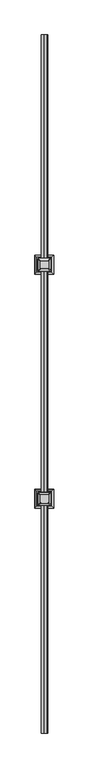
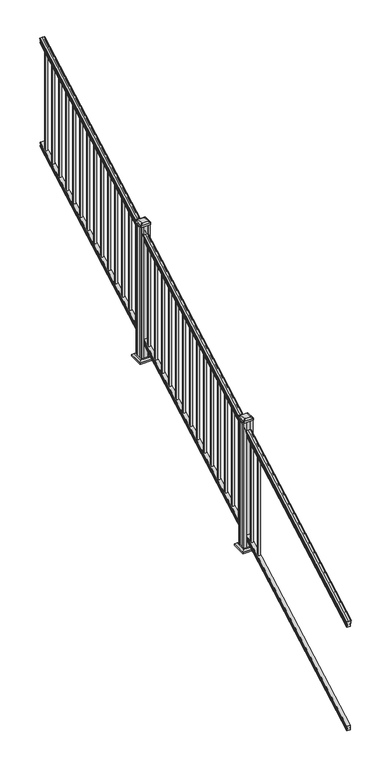
"""IFC4 building model written with IfcOpenShell, lengths in millimetres: railing geometry."""

from ifc_helpers import new_model, si_unit, point, frame, frame_2d, origin, place, context, project, spatial, polyline, circle_curve, ellipse_curve, trimmed, segment, composite_curve, outline, extrude, faceted_brep, source, transform, mapped, element, save
from ifc_brep_helpers import plane_surface, cylinder_surface, revolved_surface, extruded_surface, advanced_brep


def railing_16813167(model_context):
    return source(origin(), model_context, "Body", "SolidModel", [
        advanced_brep(
        [(13091.9614371, 1778.9805319, 1263.5933), (13094.5352659, 1778.9805319, 1263.5933), (13094.5352659, 1778.9805319, 1251.4017677), (13093.5192659, 1778.9805319, 1250.2395054), (13093.5192659, 1778.9805319, 1236.1333333), (13125.2692659, 1778.9805319, 1236.1333333), (13125.2692659, 1778.9805319, 1250.4200397), (13124.2532659, 1778.9805319, 1251.582302), (13124.2532659, 1778.9805319, 1263.5933), (13126.8270946, 1778.9805319, 1263.5933), (13126.8270946, 1778.9805319, 1265.7531886), (13127.9572809, 1778.9805319, 1267.540347), (13127.9572809, 1778.9805319, 1275.7974153), (13127.3080245, 1778.9805319, 1278.5811654), (13129.8080245, 1778.9805319, 1283.5346527), (13131.217367, 1778.9805319, 1285.4560334), (13131.619266, 1778.9805319, 1286.7198045), (13131.6192659, 1778.9805319, 1288.2530343), (13130.0658186, 1778.9805319, 1290.0301141), (13109.3942659, 1778.9805319, 1290.0301141), (13088.7227131, 1778.9805319, 1290.0301141), (13087.1692659, 1778.9805319, 1288.2530343), (13087.1692659, 1778.9805319, 1286.7198045), (13087.5711648, 1778.9805319, 1285.4560334), (13088.9805072, 1778.9805319, 1283.5346527), (13091.4805072, 1778.9805319, 1278.5811654), (13090.8312508, 1778.9805319, 1275.7974153), (13090.8312508, 1778.9805319, 1267.540347), (13091.9614371, 1778.9805319, 1265.7531886), (13091.9614371, 6655.7805319, 3972.9266334), (13091.9614371, 6655.7805319, 3975.0865219), (13090.8312508, 6655.7805319, 3976.8736803), (13090.8312508, 6655.7805319, 3985.1307486), (13091.4805072, 6655.7805319, 3987.9144987), (13088.9805072, 6655.7805319, 3992.8679861), (13087.5711648, 6655.7805319, 3994.7893668), (13087.1692658, 6655.7805319, 3996.0531378), (13087.1692659, 6655.7805319, 3997.5863676), (13088.7227131, 6655.7805319, 3999.3634474), (13109.3942659, 6655.7805319, 3999.3634474), (13130.0658186, 6655.7805319, 3999.3634474), (13131.6192659, 6655.7805319, 3997.5863676), (13131.6192659, 6655.7805319, 3996.0531378), (13131.217367, 6655.7805319, 3994.7893668), (13129.8080245, 6655.7805319, 3992.8679861), (13127.3080245, 6655.7805319, 3987.9144987), (13127.9572809, 6655.7805319, 3985.1307486), (13127.9572809, 6655.7805319, 3976.8736803), (13126.8270946, 6655.7805319, 3975.0865219), (13126.8270946, 6655.7805319, 3972.9266334), (13124.2532659, 6655.7805319, 3972.9266334), (13124.2532659, 6655.7805319, 3960.9156353), (13125.2692659, 6655.7805319, 3959.7533731), (13125.2692659, 6655.7805319, 3945.4666667), (13093.5192659, 6655.7805319, 3945.4666667), (13093.5192659, 6655.7805319, 3959.5728388), (13094.5352659, 6655.7805319, 3960.735101), (13094.5352659, 6655.7805319, 3972.9266334)],
        [
            (0, 1, ellipse_curve(frame((13093.2483515, 1778.9805319, 1263.5933), z_axis=(0.0, -1.0, 0.0), x_axis=(0.0, 0.0, -0.9999999999999999)), 1.4721772, 1.2869144)),
            (1, 2),
            (2, 3),
            (3, 4),
            (4, 5),
            (5, 6),
            (6, 7),
            (7, 8),
            (8, 9, ellipse_curve(frame((13125.5401802, 1778.9805319, 1263.5933), z_axis=(0.0, -1.0, 0.0), x_axis=(0.0, 0.0, -0.9999999999999999)), 1.4721772, 1.2869144)),
            (9, 10),
            (10, 11, ellipse_curve(frame((13120.5123413, 1778.9805319, 1272.3403628), z_axis=(0.0, -1.0, 0.0), x_axis=(0.0, 0.0, -0.9999999999999999)), 9.7762168, 8.545951)),
            (11, 12, ellipse_curve(frame((13120.9494043, 1778.9805319, 1271.6688811), z_axis=(0.0, -1.0, 0.0), x_axis=(0.0, 0.0, -0.9999999999999999)), 9.0173521, 7.882584)),
            (12, 13, ellipse_curve(frame((13131.4627284, 1778.9805319, 1278.3582895), z_axis=(0.0, 1.0, 0.0), x_axis=(0.0, 0.0, 0.9999999999999999)), 4.7580334, 4.1592695)),
            (13, 14, ellipse_curve(frame((13132.750035, 1778.9805319, 1278.2892329), z_axis=(0.0, 1.0, 0.0), x_axis=(0.0, 0.0, 0.9999999999999999)), 6.2322774, 5.4479907)),
            (14, 15, ellipse_curve(frame((13131.5168765, 1778.9805319, 1283.5314345), z_axis=(0.0, 1.0, 0.0), x_axis=(0.0, 0.0, 0.9999999999999999)), 1.9548591, 1.7088543)),
            (15, 16, ellipse_curve(frame((13129.8999764, 1778.9805319, 1286.7198045), z_axis=(0.0, -1.0, 0.0), x_axis=(0.0, 0.0, -0.9999999999999999)), 1.9667965, 1.7192895)),
            (16, 17),
            (17, 18, ellipse_curve(frame((13130.0658186, 1778.9805319, 1288.2530343), z_axis=(0.0, -1.0, 0.0), x_axis=(0.0, 0.0, -0.9999999999999999)), 1.7770798, 1.5534472)),
            (18, 19),
            (19, 20),
            (20, 21, ellipse_curve(frame((13088.7227131, 1778.9805319, 1288.2530343), z_axis=(0.0, -1.0, 0.0), x_axis=(0.0, 0.0, -0.9999999999999999)), 1.7770798, 1.5534472)),
            (21, 22),
            (22, 23, ellipse_curve(frame((13088.8885553, 1778.9805319, 1286.7198045), z_axis=(0.0, -1.0, 0.0), x_axis=(0.0, 0.0, -0.9999999999999999)), 1.9667965, 1.7192895)),
            (23, 24, ellipse_curve(frame((13087.2716552, 1778.9805319, 1283.5314345), z_axis=(0.0, 1.0, 0.0), x_axis=(0.0, 0.0, 0.9999999999999999)), 1.9548591, 1.7088543)),
            (24, 25, ellipse_curve(frame((13086.0384968, 1778.9805319, 1278.2892329), z_axis=(0.0, 1.0, 0.0), x_axis=(0.0, 0.0, 0.9999999999999999)), 6.2322774, 5.4479907)),
            (25, 26, ellipse_curve(frame((13087.3258033, 1778.9805319, 1278.3582895), z_axis=(0.0, 1.0, 0.0), x_axis=(0.0, 0.0, 0.9999999999999999)), 4.7580334, 4.1592695)),
            (26, 27, ellipse_curve(frame((13097.8391275, 1778.9805319, 1271.6688811), z_axis=(0.0, -1.0, 0.0), x_axis=(0.0, 0.0, -0.9999999999999999)), 9.0173521, 7.882584)),
            (27, 28, ellipse_curve(frame((13098.2761904, 1778.9805319, 1272.3403628), z_axis=(0.0, -1.0, 0.0), x_axis=(0.0, 0.0, -0.9999999999999999)), 9.7762168, 8.545951)),
            (28, 0),
            (29, 30),
            (30, 31, ellipse_curve(frame((13098.2761904, 6655.7805319, 3981.6736961), z_axis=(0.0, 1.0, 0.0), x_axis=(0.0, 0.0, -0.9999999999999999)), 9.7762168, 8.545951)),
            (31, 32, ellipse_curve(frame((13097.8391275, 6655.7805319, 3981.0022145), z_axis=(0.0, 1.0, 0.0), x_axis=(0.0, 0.0, -0.9999999999999999)), 9.0173521, 7.882584)),
            (32, 33, ellipse_curve(frame((13087.3258033, 6655.7805319, 3987.6916228), z_axis=(0.0, -1.0, 0.0), x_axis=(0.0, 0.0, 0.9999999999999999)), 4.7580334, 4.1592695)),
            (33, 34, ellipse_curve(frame((13086.0384968, 6655.7805319, 3987.6225663), z_axis=(0.0, -1.0, 0.0), x_axis=(0.0, 0.0, 0.9999999999999999)), 6.2322774, 5.4479907)),
            (34, 35, ellipse_curve(frame((13087.2716552, 6655.7805319, 3992.8647678), z_axis=(0.0, -1.0, 0.0), x_axis=(0.0, 0.0, 0.9999999999999999)), 1.9548591, 1.7088543)),
            (35, 36, ellipse_curve(frame((13088.8885553, 6655.7805319, 3996.0531378), z_axis=(0.0, 1.0, 0.0), x_axis=(0.0, 0.0, -0.9999999999999999)), 1.9667965, 1.7192895)),
            (36, 37),
            (37, 38, ellipse_curve(frame((13088.7227131, 6655.7805319, 3997.5863676), z_axis=(0.0, 1.0, 0.0), x_axis=(0.0, 0.0, -0.9999999999999999)), 1.7770798, 1.5534472)),
            (38, 39),
            (39, 40),
            (40, 41, ellipse_curve(frame((13130.0658186, 6655.7805319, 3997.5863676), z_axis=(0.0, 1.0, 0.0), x_axis=(0.0, 0.0, -0.9999999999999999)), 1.7770798, 1.5534472)),
            (41, 42),
            (42, 43, ellipse_curve(frame((13129.8999764, 6655.7805319, 3996.0531378), z_axis=(0.0, 1.0, 0.0), x_axis=(0.0, 0.0, -0.9999999999999999)), 1.9667965, 1.7192895)),
            (43, 44, ellipse_curve(frame((13131.5168765, 6655.7805319, 3992.8647678), z_axis=(0.0, -1.0, 0.0), x_axis=(0.0, 0.0, 0.9999999999999999)), 1.9548591, 1.7088543)),
            (44, 45, ellipse_curve(frame((13132.750035, 6655.7805319, 3987.6225663), z_axis=(0.0, -1.0, 0.0), x_axis=(0.0, 0.0, 0.9999999999999999)), 6.2322774, 5.4479907)),
            (45, 46, ellipse_curve(frame((13131.4627284, 6655.7805319, 3987.6916228), z_axis=(0.0, -1.0, 0.0), x_axis=(0.0, 0.0, 0.9999999999999999)), 4.7580334, 4.1592695)),
            (46, 47, ellipse_curve(frame((13120.9494043, 6655.7805319, 3981.0022145), z_axis=(0.0, 1.0, 0.0), x_axis=(0.0, 0.0, -0.9999999999999999)), 9.0173521, 7.882584)),
            (47, 48, ellipse_curve(frame((13120.5123413, 6655.7805319, 3981.6736961), z_axis=(0.0, 1.0, 0.0), x_axis=(0.0, 0.0, -0.9999999999999999)), 9.7762168, 8.545951)),
            (48, 49),
            (49, 50, ellipse_curve(frame((13125.5401802, 6655.7805319, 3972.9266334), z_axis=(0.0, 1.0, 0.0), x_axis=(0.0, 0.0, -0.9999999999999999)), 1.4721772, 1.2869144)),
            (50, 51),
            (51, 52),
            (52, 53),
            (53, 54),
            (54, 55),
            (55, 56),
            (56, 57),
            (57, 29, ellipse_curve(frame((13093.2483515, 6655.7805319, 3972.9266334), z_axis=(0.0, 1.0, 0.0), x_axis=(0.0, 0.0, -0.9999999999999999)), 1.4721772, 1.2869144)),
            (0, 29),
            (57, 1),
            (56, 2),
            (55, 3),
            (54, 4),
            (53, 5),
            (52, 6),
            (51, 7),
            (50, 8),
            (49, 9),
            (48, 10),
            (47, 11),
            (46, 12),
            (45, 13),
            (44, 14),
            (43, 15),
            (42, 16),
            (41, 17),
            (40, 18),
            (39, 19),
            (38, 20),
            (37, 21),
            (36, 22),
            (35, 23),
            (34, 24),
            (33, 25),
            (32, 26),
            (31, 27),
            (30, 28),
        ],
        [
            plane_surface(frame((13109.3942659, 1778.9805319, 1236.1333333), z_axis=(0.0, -1.0, 0.0), x_axis=(0.0, 0.0, 1.0))),
            plane_surface(frame((13109.3942659, 6655.7805319, 3945.4666667), z_axis=(0.0, 1.0, 0.0), x_axis=(0.0, 0.0, 1.0))),
            cylinder_surface(frame((13093.2483515, 1767.3229989, 1257.1168928), z_axis=(0.0, -0.8741572761215701, -0.48564293117857404), x_axis=(1.0, 0.0, 0.0)), 1.2869144),
            plane_surface(frame((13094.5352659, 1778.9805319, 1263.5933), z_axis=(-1.0000000000000002, 0.0, 0.0), x_axis=(0.0, 0.8741572761215701, 0.485642931178574))),
            plane_surface(frame((13094.5352659, 1778.9805319, 1251.4017677), z_axis=(-0.7071067811865401, -0.34340140987168427, 0.6181225377691307), x_axis=(0.0, 0.8741572761215701, 0.48564293117857404))),
            plane_surface(frame((13093.5192659, 1778.9805319, 1250.2395054), z_axis=(-1.0000000000000002, 0.0, 0.0), x_axis=(0.0, 0.8741572761215701, 0.485642931178574))),
            plane_surface(frame((13093.5192659, 1778.9805319, 1236.1333333), z_axis=(0.0, 0.485642931178574, -0.8741572761215701), x_axis=(0.0, 0.8741572761215701, 0.485642931178574))),
            plane_surface(frame((13125.2692659, 1778.9805319, 1236.1333333), z_axis=(1.0000000000000002, 0.0, 0.0), x_axis=(0.0, 0.8741572761215701, 0.485642931178574))),
            plane_surface(frame((13125.2692659, 1778.9805319, 1250.4200397), z_axis=(0.7071067811865426, -0.3434014098716849, 0.6181225377691274), x_axis=(0.0, 0.8741572761215701, 0.485642931178574))),
            plane_surface(frame((13124.2532659, 1778.9805319, 1251.582302), z_axis=(1.0000000000000002, 0.0, 0.0), x_axis=(0.0, 0.8741572761215701, 0.485642931178574))),
            cylinder_surface(frame((13125.5401802, 1767.3229989, 1257.1168928), z_axis=(0.0, -0.8741572761215701, -0.48564293117857404), x_axis=(-1.0, 0.0, 0.0)), 1.2869144),
            plane_surface(frame((13126.8270946, 1778.9805319, 1263.5933), z_axis=(1.0000000000000002, 0.0, 0.0), x_axis=(0.0, 0.8741572761215701, 0.48564293117857404))),
            cylinder_surface(frame((13120.5123413, 1763.6096232, 1263.8009691), z_axis=(0.0, -0.8741572761215701, -0.48564293117857404), x_axis=(-1.0, 0.0, 0.0)), 8.545951),
            cylinder_surface(frame((13120.9494043, 1763.8946861, 1263.2878557), z_axis=(0.0, -0.8741572761215701, -0.48564293117857404), x_axis=(-1.0, 0.0, 0.0)), 7.882584),
            revolved_surface(polyline([(13127.3034589, 6657.8004517445215, 3988.813800479864), (13127.3034589, 1776.960612079246, 1277.2361117773576)]), (13131.4627284, 1761.054843, 1268.3995734), (0.0, 0.8741572761215701, 0.48564293117857404)),
            revolved_surface(polyline([(13127.302044299999, 6658.426310041691, 3989.0924430449577), (13127.302044299999, 1776.3347537301895, 1276.8193562056595)]), (13132.750035, 1761.0841594, 1268.3468038), (0.0, 0.8741572761215701, 0.48564293117857404)),
            revolved_surface(polyline([(13129.808022199999, 6656.610424923767, 3993.325819457222), (13129.808022199999, 1778.1506389094347, 1283.0703827830175)]), (13131.5168765, 1758.8586965, 1272.352637), (0.0, 0.8741572761215701, 0.48564293117857404)),
            cylinder_surface(frame((13129.8999764, 1757.5051432, 1274.789033), z_axis=(0.0, -0.8741572761215701, -0.48564293117857404), x_axis=(-1.0, 0.0, 0.0)), 1.7192895),
            plane_surface(frame((13131.6192659, 1778.9805319, 1286.7198045), z_axis=(1.0000000000000002, 0.0, 0.0), x_axis=(0.0, 0.8741572761215701, 0.485642931178574))),
            cylinder_surface(frame((13130.0658186, 1756.8542438, 1275.960652), z_axis=(0.0, -0.8741572761215701, -0.48564293117857404), x_axis=(-1.0, 0.0, 0.0)), 1.5534472),
            plane_surface(frame((13130.0658186, 1778.9805319, 1290.0301141), z_axis=(0.0, -0.485642931178574, 0.8741572761215701), x_axis=(0.0, 0.8741572761215701, 0.485642931178574))),
            plane_surface(frame((13109.3942659, 1778.9805319, 1290.0301141), z_axis=(0.0, -0.485642931178574, 0.8741572761215701), x_axis=(0.0, 0.8741572761215701, 0.485642931178574))),
            cylinder_surface(frame((13088.7227131, 1756.8542438, 1275.960652), z_axis=(0.0, -0.8741572761215701, -0.48564293117857404), x_axis=(1.0, 0.0, 0.0)), 1.5534472),
            plane_surface(frame((13087.1692659, 1778.9805319, 1288.2530343), z_axis=(-1.0000000000000002, 0.0, 0.0), x_axis=(0.0, 0.8741572761215701, 0.485642931178574))),
            cylinder_surface(frame((13088.8885553, 1757.5051432, 1274.789033), z_axis=(0.0, -0.8741572761215701, -0.48564293117857404), x_axis=(1.0, 0.0, 0.0)), 1.7192895),
            revolved_surface(polyline([(13088.980509500001, 6656.610424923767, 3993.325819457222), (13088.980509500001, 1778.1506389094347, 1283.0703827830175)]), (13087.2716552, 1758.8586965, 1272.352637), (0.0, 0.8741572761215701, 0.48564293117857404)),
            revolved_surface(polyline([(13091.4864875, 6658.426310041691, 3989.0924430449577), (13091.4864875, 1776.3347537301895, 1276.8193562056595)]), (13086.0384968, 1761.0841594, 1268.3468038), (0.0, 0.8741572761215701, 0.48564293117857404)),
            revolved_surface(polyline([(13091.4850728, 6657.8004517445215, 3988.813800479864), (13091.4850728, 1776.960612079246, 1277.2361117773576)]), (13087.3258033, 1761.054843, 1268.3995734), (0.0, 0.8741572761215701, 0.48564293117857404)),
            cylinder_surface(frame((13097.8391275, 1763.8946861, 1263.2878557), z_axis=(0.0, -0.8741572761215701, -0.48564293117857404), x_axis=(1.0, 0.0, 0.0)), 7.882584),
            cylinder_surface(frame((13098.2761904, 1763.6096232, 1263.8009691), z_axis=(0.0, -0.8741572761215701, -0.48564293117857404), x_axis=(1.0, 0.0, 0.0)), 8.545951),
            plane_surface(frame((13091.9614371, 1778.9805319, 1265.7531886), z_axis=(-1.0000000000000002, 0.0, 0.0), x_axis=(0.0, 0.8741572761215701, 0.485642931178574))),
        ],
        [
            (0, [[1, 2, 3, 4, 5, 6, 7, 8, 9, 10, 11, 12, 13, 14, 15, 16, 17, 18, 19, 20, 21, 22, 23, 24, 25, 26, 27, 28, 29]]),
            (1, [[30, 31, 32, 33, 34, 35, 36, 37, 38, 39, 40, 41, 42, 43, 44, 45, 46, 47, 48, 49, 50, 51, 52, 53, 54, 55, 56, 57, 58]]),
            (2, [[-1, 59, -58, 60]]),
            (3, [[-2, -60, -57, 61]]),
            (4, [[-3, -61, -56, 62]]),
            (5, [[-4, -62, -55, 63]]),
            (6, [[-5, -63, -54, 64]]),
            (7, [[-6, -64, -53, 65]]),
            (8, [[-7, -65, -52, 66]]),
            (9, [[-8, -66, -51, 67]]),
            (10, [[-9, -67, -50, 68]]),
            (11, [[-10, -68, -49, 69]]),
            (12, [[-11, -69, -48, 70]]),
            (13, [[-12, -70, -47, 71]]),
            (14, [[-13, -71, -46, 72]]),
            (15, [[-14, -72, -45, 73]]),
            (16, [[-15, -73, -44, 74]]),
            (17, [[-16, -74, -43, 75]]),
            (18, [[-17, -75, -42, 76]]),
            (19, [[-18, -76, -41, 77]]),
            (20, [[-19, -77, -40, 78]]),
            (21, [[-20, -78, -39, 79]]),
            (22, [[-21, -79, -38, 80]]),
            (23, [[-22, -80, -37, 81]]),
            (24, [[-23, -81, -36, 82]]),
            (25, [[-24, -82, -35, 83]]),
            (26, [[-25, -83, -34, 84]]),
            (27, [[-26, -84, -33, 85]]),
            (28, [[-27, -85, -32, 86]]),
            (29, [[-28, -86, -31, 87]]),
            (30, [[-29, -87, -30, -59]]),
        ],
    ),
        faceted_brep([(13093.481779, 1778.9805319, 247.1948195), (13093.481779, 1778.9805319, 232.8333333), (13125.231779, 1778.9805319, 232.8333333), (13125.231779, 1778.9805319, 247.1757762), (13124.215779, 1778.9805319, 248.7181503), (13124.215779, 1778.9805319, 260.5143074), (13125.231779, 1778.9805319, 262.0566814), (13125.231779, 1778.9805319, 276.4134523), (13093.481779, 1778.9805319, 276.4134523), (13093.481779, 1778.9805319, 262.0757247), (13094.497779, 1778.9805319, 260.5333506), (13094.497779, 1778.9805319, 248.6824473), (13093.481779, 6655.7805319, 2956.5281528), (13094.497779, 6655.7805319, 2958.0157807), (13094.497779, 6655.7805319, 2969.8666839), (13093.481779, 6655.7805319, 2971.409058), (13093.481779, 6655.7805319, 2985.7467856), (13125.231779, 6655.7805319, 2985.7467856), (13125.231779, 6655.7805319, 2971.3900148), (13124.215779, 6655.7805319, 2969.8476407), (13124.215779, 6655.7805319, 2958.0514837), (13125.231779, 6655.7805319, 2956.5091096), (13125.231779, 6655.7805319, 2942.1666667), (13093.481779, 6655.7805319, 2942.1666667)], [[[0, 1, 2, 3, 4, 5, 6, 7, 8, 9, 10, 11]], [[12, 13, 14, 15, 16, 17, 18, 19, 20, 21, 22, 23]], [[1, 0, 12, 23]], [[2, 1, 23, 22]], [[3, 2, 22, 21]], [[4, 3, 21, 20]], [[5, 4, 20, 19]], [[6, 5, 19, 18]], [[7, 6, 18, 17]], [[8, 7, 17, 16]], [[9, 8, 16, 15]], [[10, 9, 15, 14]], [[11, 10, 14, 13]], [[0, 11, 13, 12]]]),
        extrude(outline(polyline([(13099.8692659, 6580.5727194), (13099.8692659, 6599.6227194), (13118.9192659, 6599.6227194), (13118.9192659, 6580.5727194), (13099.8692659, 6580.5727194)]), holes=[polyline([(13100.2661409, 6580.9695944), (13118.5223909, 6580.9695944), (13118.5223909, 6599.2258444), (13100.2661409, 6599.2258444), (13100.2661409, 6580.9695944)])]), frame((0.0, 0.0, 2943.7720933), z_axis=(0.0, 0.0, 1.0), x_axis=(1.0, 0.0, 0.0)), (0.0, 0.0, 1.0), 965.2041219),
        extrude(outline(polyline([(13099.8692659, 6469.4477194), (13099.8692659, 6488.4977194), (13118.9192659, 6488.4977194), (13118.9192659, 6469.4477194), (13099.8692659, 6469.4477194)]), holes=[polyline([(13100.2661409, 6469.8445944), (13118.5223909, 6469.8445944), (13118.5223909, 6488.1008444), (13100.2661409, 6488.1008444), (13100.2661409, 6469.8445944)])]), frame((0.0, 0.0, 2882.0359822), z_axis=(0.0, 0.0, 1.0), x_axis=(1.0, 0.0, 0.0)), (0.0, 0.0, 1.0), 965.2041219),
        extrude(outline(polyline([(13099.8692659, 6358.3227194), (13099.8692659, 6377.3727194), (13118.9192659, 6377.3727194), (13118.9192659, 6358.3227194), (13099.8692659, 6358.3227194)]), holes=[polyline([(13100.2661409, 6358.7195944), (13118.5223909, 6358.7195944), (13118.5223909, 6376.9758444), (13100.2661409, 6376.9758444), (13100.2661409, 6358.7195944)])]), frame((0.0, 0.0, 2820.2998711), z_axis=(0.0, 0.0, 1.0), x_axis=(1.0, 0.0, 0.0)), (0.0, 0.0, 1.0), 965.2041219),
        extrude(outline(polyline([(13099.8692659, 6247.1977194), (13099.8692659, 6266.2477194), (13118.9192659, 6266.2477194), (13118.9192659, 6247.1977194), (13099.8692659, 6247.1977194)]), holes=[polyline([(13100.2661409, 6247.5945944), (13118.5223909, 6247.5945944), (13118.5223909, 6265.8508444), (13100.2661409, 6265.8508444), (13100.2661409, 6247.5945944)])]), frame((0.0, 0.0, 2758.56376), z_axis=(0.0, 0.0, 1.0), x_axis=(1.0, 0.0, 0.0)), (0.0, 0.0, 1.0), 965.2041219),
        extrude(outline(polyline([(13099.8692659, 6136.0727194), (13099.8692659, 6155.1227194), (13118.9192659, 6155.1227194), (13118.9192659, 6136.0727194), (13099.8692659, 6136.0727194)]), holes=[polyline([(13100.2661409, 6136.4695944), (13118.5223909, 6136.4695944), (13118.5223909, 6154.7258444), (13100.2661409, 6154.7258444), (13100.2661409, 6136.4695944)])]), frame((0.0, 0.0, 2696.8276489), z_axis=(0.0, 0.0, 1.0), x_axis=(1.0, 0.0, 0.0)), (0.0, 0.0, 1.0), 965.2041219),
        extrude(outline(polyline([(13099.8692659, 6024.9477194), (13099.8692659, 6043.9977194), (13118.9192659, 6043.9977194), (13118.9192659, 6024.9477194), (13099.8692659, 6024.9477194)]), holes=[polyline([(13100.2661409, 6025.3445944), (13118.5223909, 6025.3445944), (13118.5223909, 6043.6008444), (13100.2661409, 6043.6008444), (13100.2661409, 6025.3445944)])]), frame((0.0, 0.0, 2635.0915378), z_axis=(0.0, 0.0, 1.0), x_axis=(1.0, 0.0, 0.0)), (0.0, 0.0, 1.0), 965.2041219),
        extrude(outline(polyline([(13099.8692659, 5913.8227194), (13099.8692659, 5932.8727194), (13118.9192659, 5932.8727194), (13118.9192659, 5913.8227194), (13099.8692659, 5913.8227194)]), holes=[polyline([(13100.2661409, 5914.2195944), (13118.5223909, 5914.2195944), (13118.5223909, 5932.4758444), (13100.2661409, 5932.4758444), (13100.2661409, 5914.2195944)])]), frame((0.0, 0.0, 2573.3554267), z_axis=(0.0, 0.0, 1.0), x_axis=(1.0, 0.0, 0.0)), (0.0, 0.0, 1.0), 965.2041219),
        extrude(outline(polyline([(13099.8692659, 5802.6977194), (13099.8692659, 5821.7477194), (13118.9192659, 5821.7477194), (13118.9192659, 5802.6977194), (13099.8692659, 5802.6977194)]), holes=[polyline([(13100.2661409, 5803.0945944), (13118.5223909, 5803.0945944), (13118.5223909, 5821.3508444), (13100.2661409, 5821.3508444), (13100.2661409, 5803.0945944)])]), frame((0.0, 0.0, 2511.6193156), z_axis=(0.0, 0.0, 1.0), x_axis=(1.0, 0.0, 0.0)), (0.0, 0.0, 1.0), 965.2041219),
        extrude(outline(polyline([(13099.8692659, 5691.5727194), (13099.8692659, 5710.6227194), (13118.9192659, 5710.6227194), (13118.9192659, 5691.5727194), (13099.8692659, 5691.5727194)]), holes=[polyline([(13100.2661409, 5691.9695944), (13118.5223909, 5691.9695944), (13118.5223909, 5710.2258444), (13100.2661409, 5710.2258444), (13100.2661409, 5691.9695944)])]), frame((0.0, 0.0, 2449.8832045), z_axis=(0.0, 0.0, 1.0), x_axis=(1.0, 0.0, 0.0)), (0.0, 0.0, 1.0), 965.2041219),
        extrude(outline(polyline([(13099.8692659, 5580.4477194), (13099.8692659, 5599.4977194), (13118.9192659, 5599.4977194), (13118.9192659, 5580.4477194), (13099.8692659, 5580.4477194)]), holes=[polyline([(13100.2661409, 5580.8445944), (13118.5223909, 5580.8445944), (13118.5223909, 5599.1008444), (13100.2661409, 5599.1008444), (13100.2661409, 5580.8445944)])]), frame((0.0, 0.0, 2388.1470933), z_axis=(0.0, 0.0, 1.0), x_axis=(1.0, 0.0, 0.0)), (0.0, 0.0, 1.0), 965.2041219),
        extrude(outline(polyline([(13099.8692659, 5469.3227194), (13099.8692659, 5488.3727194), (13118.9192659, 5488.3727194), (13118.9192659, 5469.3227194), (13099.8692659, 5469.3227194)]), holes=[polyline([(13100.2661409, 5469.7195944), (13118.5223909, 5469.7195944), (13118.5223909, 5487.9758444), (13100.2661409, 5487.9758444), (13100.2661409, 5469.7195944)])]), frame((0.0, 0.0, 2326.4109822), z_axis=(0.0, 0.0, 1.0), x_axis=(1.0, 0.0, 0.0)), (0.0, 0.0, 1.0), 965.2041219),
        extrude(outline(polyline([(13099.8692659, 5358.1977194), (13099.8692659, 5377.2477194), (13118.9192659, 5377.2477194), (13118.9192659, 5358.1977194), (13099.8692659, 5358.1977194)]), holes=[polyline([(13100.2661409, 5358.5945944), (13118.5223909, 5358.5945944), (13118.5223909, 5376.8508444), (13100.2661409, 5376.8508444), (13100.2661409, 5358.5945944)])]), frame((0.0, 0.0, 2264.6748711), z_axis=(0.0, 0.0, 1.0), x_axis=(1.0, 0.0, 0.0)), (0.0, 0.0, 1.0), 965.2041219),
        extrude(outline(polyline([(13099.8692659, 5247.0727194), (13099.8692659, 5266.1227194), (13118.9192659, 5266.1227194), (13118.9192659, 5247.0727194), (13099.8692659, 5247.0727194)]), holes=[polyline([(13100.2661409, 5247.4695944), (13118.5223909, 5247.4695944), (13118.5223909, 5265.7258444), (13100.2661409, 5265.7258444), (13100.2661409, 5247.4695944)])]), frame((0.0, 0.0, 2202.93876), z_axis=(0.0, 0.0, 1.0), x_axis=(1.0, 0.0, 0.0)), (0.0, 0.0, 1.0), 965.2041219),
        extrude(outline(polyline([(13099.8692659, 5135.9477194), (13099.8692659, 5154.9977194), (13118.9192659, 5154.9977194), (13118.9192659, 5135.9477194), (13099.8692659, 5135.9477194)]), holes=[polyline([(13100.2661409, 5136.3445944), (13118.5223909, 5136.3445944), (13118.5223909, 5154.6008444), (13100.2661409, 5154.6008444), (13100.2661409, 5136.3445944)])]), frame((0.0, 0.0, 2141.2026489), z_axis=(0.0, 0.0, 1.0), x_axis=(1.0, 0.0, 0.0)), (0.0, 0.0, 1.0), 965.2041219),
        extrude(outline(polyline([(13149.0817659, 5008.7492819), (13129.4602659, 5008.7492819), (13128.6982659, 5010.3367819), (13090.0902659, 5010.3367819), (13089.3282659, 5008.7492819), (13069.7067659, 5008.7492819), (13068.1192659, 5010.3367819), (13068.1192659, 5029.9582819), (13069.7067659, 5030.7202819), (13069.7067659, 5069.3282819), (13068.1192659, 5070.0902819), (13068.1192659, 5089.7117819), (13069.7067659, 5091.2992819), (13089.3282659, 5091.2992819), (13090.0902659, 5089.7117819), (13128.6982659, 5089.7117819), (13129.4602659, 5091.2992819), (13149.0817659, 5091.2992819), (13150.6692659, 5089.7117819), (13150.6692659, 5070.0902819), (13149.0817659, 5069.3282819), (13149.0817659, 5030.7202819), (13150.6692659, 5029.9582819), (13150.6692659, 5010.3367819), (13149.0817659, 5008.7492819)])), frame((0.0, 0.0, 1862.6666667), z_axis=(0.0, 0.0, 1.0), x_axis=(1.0, 0.0, 0.0)), (0.0, 0.0, 1.0), 1307.6774575),
        faceted_brep([(13056.8083284, 4997.4383444, 1891.2416667), (13161.9802034, 4997.4383444, 1891.2416667), (13161.9802034, 5102.6102194, 1891.2416667), (13056.8083284, 5102.6102194, 1891.2416667), (13042.7688753, 4983.3988913, 1877.9066667), (13042.7688753, 5116.6496725, 1877.9066667), (13176.0196565, 5116.6496725, 1877.9066667), (13176.0196565, 4983.3988913, 1877.9066667)], [[[0, 1, 2, 3]], [[4, 5, 6, 7]], [[4, 7, 1, 0]], [[7, 6, 2, 1]], [[6, 5, 3, 2]], [[5, 4, 0, 3]]]),
        extrude(outline(polyline([(13042.7688753, 4983.3988913), (13042.7688753, 5116.6496725), (13176.0196565, 5116.6496725), (13176.0196565, 4983.3988913), (13042.7688753, 4983.3988913)])), frame((0.0, 0.0, 1862.6666667), z_axis=(0.0, 0.0, 1.0), x_axis=(1.0, 0.0, 0.0)), (0.0, 0.0, 1.0), 15.24),
        advanced_brep(
        [(13135.1911409, 5021.0524069, 3198.9191241), (13138.3661409, 5024.2274069, 3198.9191241), (13138.3661409, 5075.8211569, 3198.9191241), (13135.1911409, 5078.9961569, 3198.9191241), (13083.5973909, 5078.9961569, 3198.9191241), (13080.4223909, 5075.8211569, 3198.9191241), (13080.4223909, 5024.2274069, 3198.9191241), (13083.5973909, 5021.0524069, 3198.9191241), (13151.4630159, 5004.7805319, 3187.6161241), (13067.3255159, 5004.7805319, 3187.6161241), (13064.1505159, 5007.9555319, 3187.6161241), (13064.1505159, 5092.0930319, 3187.6161241), (13067.3255159, 5095.2680319, 3187.6161241), (13151.4630159, 5095.2680319, 3187.6161241), (13154.6380159, 5092.0930319, 3187.6161241), (13154.6380159, 5007.9555319, 3187.6161241)],
        [
            (0, 1, circle_curve(frame((13135.1911409, 5024.2274069, 3198.9191241), z_axis=(0.0, 0.0, 1.0), x_axis=(0.0, 1.0, 0.0)), 3.175)),
            (1, 2),
            (2, 3, circle_curve(frame((13135.1911409, 5075.8211569, 3198.9191241), z_axis=(0.0, 0.0, 1.0), x_axis=(0.0, 1.0, 0.0)), 3.175)),
            (3, 4),
            (4, 5, circle_curve(frame((13083.5973909, 5075.8211569, 3198.9191241), z_axis=(0.0, 0.0, 1.0), x_axis=(0.0, 1.0, 0.0)), 3.175)),
            (5, 6),
            (6, 7, circle_curve(frame((13083.5973909, 5024.2274069, 3198.9191241), z_axis=(0.0, 0.0, 1.0), x_axis=(0.0, 1.0, 0.0)), 3.175)),
            (7, 0),
            (8, 9),
            (9, 10, circle_curve(frame((13067.3255159, 5007.9555319, 3187.6161241), z_axis=(0.0, 0.0, -1.0), x_axis=(0.0, 1.0, 0.0)), 3.175)),
            (10, 11),
            (11, 12, circle_curve(frame((13067.3255159, 5092.0930319, 3187.6161241), z_axis=(0.0, 0.0, -1.0), x_axis=(0.0, 1.0, 0.0)), 3.175)),
            (12, 13),
            (13, 14, circle_curve(frame((13151.4630159, 5092.0930319, 3187.6161241), z_axis=(0.0, 0.0, -1.0), x_axis=(0.0, 1.0, 0.0)), 3.175)),
            (14, 15),
            (15, 8, circle_curve(frame((13151.4630159, 5007.9555319, 3187.6161241), z_axis=(0.0, 0.0, -1.0), x_axis=(0.0, 1.0, 0.0)), 3.175)),
            (15, 1),
            (0, 8),
            (14, 2),
            (13, 3),
            (12, 4),
            (11, 5),
            (10, 6),
            (9, 7),
        ],
        [
            plane_surface(frame((13109.3942659, 5050.0242819, 3198.9191241), z_axis=(0.0, 0.0, 1.0), x_axis=(1.0, 0.0, 0.0))),
            plane_surface(frame((13109.3942659, 5050.0242819, 3187.6161241), z_axis=(0.0, 0.0, -1.0), x_axis=(1.0, 0.0, 0.0))),
            extruded_surface(trimmed(circle_curve(frame((13151.4630159, 5007.9555319, 3187.6161241), z_axis=(0.0, 0.0, 1.0), x_axis=(0.0, 1.0, 0.0)), 3.175), [point((13151.4630159, 5004.7805319, 3187.6161241))], [point((13154.6380159, 5007.9555319, 3187.6161241))], True, "CARTESIAN"), (-16.271875000000364, 16.271874999999454, 11.302999999999884), 25.637972638865996),
            plane_surface(frame((13154.6380159, 5050.0242819, 3187.6161241), z_axis=(0.5705009161540686, 0.0, 0.8212969649690474), x_axis=(0.0, 1.0, 0.0))),
            extruded_surface(trimmed(circle_curve(frame((13151.4630159, 5092.0930319, 3187.6161241), z_axis=(0.0, 0.0, 1.0), x_axis=(0.0, 1.0, 0.0)), 3.175), [point((13154.6380159, 5092.0930319, 3187.6161241))], [point((13151.4630159, 5095.2680319, 3187.6161241))], True, "CARTESIAN"), (-16.271875000000364, -16.271875000000364, 11.302999999999884), 25.63797263886657),
            plane_surface(frame((13109.3942659, 5095.2680319, 3187.6161241), z_axis=(0.0, 0.5705009161540291, 0.8212969649690747), x_axis=(-1.0, 0.0, 0.0))),
            extruded_surface(trimmed(circle_curve(frame((13067.3255159, 5092.0930319, 3187.6161241), z_axis=(0.0, 0.0, 1.0), x_axis=(0.0, 1.0, 0.0)), 3.175), [point((13067.3255159, 5095.2680319, 3187.6161241))], [point((13064.1505159, 5092.0930319, 3187.6161241))], True, "CARTESIAN"), (16.271875000000364, -16.271875000000364, 11.302999999999884), 25.63797263886657),
            plane_surface(frame((13064.1505159, 5050.0242819, 3187.6161241), z_axis=(-0.5705009161540234, 0.0, 0.8212969649690787), x_axis=(0.0, -1.0, 0.0))),
            extruded_surface(trimmed(circle_curve(frame((13067.3255159, 5007.9555319, 3187.6161241), z_axis=(0.0, 0.0, 1.0), x_axis=(0.0, 1.0, 0.0)), 3.175), [point((13064.1505159, 5007.9555319, 3187.6161241))], [point((13067.3255159, 5004.7805319, 3187.6161241))], True, "CARTESIAN"), (16.271875000000364, 16.271874999999454, 11.302999999999884), 25.637972638865996),
            plane_surface(frame((13109.3942659, 5004.7805319, 3187.6161241), z_axis=(0.0, -0.570500916154034, 0.8212969649690713), x_axis=(1.0, 0.0, 0.0))),
        ],
        [
            (0, [[1, 2, 3, 4, 5, 6, 7, 8]]),
            (1, [[9, 10, 11, 12, 13, 14, 15, 16]]),
            (2, [[-16, 17, -1, 18]]),
            (3, [[-15, 19, -2, -17]]),
            (4, [[-14, 20, -3, -19]]),
            (5, [[-13, 21, -4, -20]]),
            (6, [[-12, 22, -5, -21]]),
            (7, [[-11, 23, -6, -22]]),
            (8, [[-10, 24, -7, -23]]),
            (9, [[-9, -18, -8, -24]]),
        ],
    ),
        extrude(outline(composite_curve([segment(polyline([(13151.4630159, 5004.7805319), (13067.3255159, 5004.7805319)]), True, "CONTINUOUS"), segment(trimmed(circle_curve(frame_2d((13067.3255159, 5007.9555319)), 3.175), [point((13067.3255159, 5004.7805319))], [point((13064.1505159, 5007.9555319))], False, "CARTESIAN"), True, "CONTINUOUS"), segment(polyline([(13064.1505159, 5007.9555319), (13064.1505159, 5092.0930319)]), True, "CONTINUOUS"), segment(trimmed(circle_curve(frame_2d((13067.3255159, 5092.0930319)), 3.175), [point((13064.1505159, 5092.0930319))], [point((13067.3255159, 5095.2680319))], False, "CARTESIAN"), True, "CONTINUOUS"), segment(polyline([(13067.3255159, 5095.2680319), (13151.4630159, 5095.2680319)]), True, "CONTINUOUS"), segment(trimmed(circle_curve(frame_2d((13151.4630159, 5092.0930319)), 3.175), [point((13151.4630159, 5095.2680319))], [point((13154.6380159, 5092.0930319))], False, "CARTESIAN"), True, "CONTINUOUS"), segment(polyline([(13154.6380159, 5092.0930319), (13154.6380159, 5007.9555319)]), True, "CONTINUOUS"), segment(trimmed(circle_curve(frame_2d((13151.4630159, 5007.9555319)), 3.175), [point((13154.6380159, 5007.9555319))], [point((13151.4630159, 5004.7805319))], False, "CARTESIAN"), True, "CONTINUOUS")], self_intersect=False)), frame((0.0, 0.0, 3170.3441241), z_axis=(0.0, 0.0, 1.0), x_axis=(1.0, 0.0, 0.0)), (0.0, 0.0, 1.0), 17.272),
        extrude(outline(polyline([(13099.8692659, 4945.0508444), (13099.8692659, 4964.1008444), (13118.9192659, 4964.1008444), (13118.9192659, 4945.0508444), (13099.8692659, 4945.0508444)]), holes=[polyline([(13100.2661409, 4945.4477194), (13118.5223909, 4945.4477194), (13118.5223909, 4963.7039694), (13100.2661409, 4963.7039694), (13100.2661409, 4945.4477194)])]), frame((0.0, 0.0, 2035.1488295), z_axis=(0.0, 0.0, 1.0), x_axis=(1.0, 0.0, 0.0)), (0.0, 0.0, 1.0), 965.2041219),
        extrude(outline(polyline([(13099.8692659, 4833.9258444), (13099.8692659, 4852.9758444), (13118.9192659, 4852.9758444), (13118.9192659, 4833.9258444), (13099.8692659, 4833.9258444)]), holes=[polyline([(13100.2661409, 4834.3227194), (13118.5223909, 4834.3227194), (13118.5223909, 4852.5789694), (13100.2661409, 4852.5789694), (13100.2661409, 4834.3227194)])]), frame((0.0, 0.0, 1973.4127183), z_axis=(0.0, 0.0, 1.0), x_axis=(1.0, 0.0, 0.0)), (0.0, 0.0, 1.0), 965.2041219),
        extrude(outline(polyline([(13099.8692659, 4722.8008444), (13099.8692659, 4741.8508444), (13118.9192659, 4741.8508444), (13118.9192659, 4722.8008444), (13099.8692659, 4722.8008444)]), holes=[polyline([(13100.2661409, 4723.1977194), (13118.5223909, 4723.1977194), (13118.5223909, 4741.4539694), (13100.2661409, 4741.4539694), (13100.2661409, 4723.1977194)])]), frame((0.0, 0.0, 1911.6766072), z_axis=(0.0, 0.0, 1.0), x_axis=(1.0, 0.0, 0.0)), (0.0, 0.0, 1.0), 965.2041219),
        extrude(outline(polyline([(13099.8692659, 4611.6758444), (13099.8692659, 4630.7258444), (13118.9192659, 4630.7258444), (13118.9192659, 4611.6758444), (13099.8692659, 4611.6758444)]), holes=[polyline([(13100.2661409, 4612.0727194), (13118.5223909, 4612.0727194), (13118.5223909, 4630.3289694), (13100.2661409, 4630.3289694), (13100.2661409, 4612.0727194)])]), frame((0.0, 0.0, 1849.9404961), z_axis=(0.0, 0.0, 1.0), x_axis=(1.0, 0.0, 0.0)), (0.0, 0.0, 1.0), 965.2041219),
        extrude(outline(polyline([(13099.8692659, 4500.5508444), (13099.8692659, 4519.6008444), (13118.9192659, 4519.6008444), (13118.9192659, 4500.5508444), (13099.8692659, 4500.5508444)]), holes=[polyline([(13100.2661409, 4500.9477194), (13118.5223909, 4500.9477194), (13118.5223909, 4519.2039694), (13100.2661409, 4519.2039694), (13100.2661409, 4500.9477194)])]), frame((0.0, 0.0, 1788.204385), z_axis=(0.0, 0.0, 1.0), x_axis=(1.0, 0.0, 0.0)), (0.0, 0.0, 1.0), 965.2041219),
        extrude(outline(polyline([(13099.8692659, 4389.4258444), (13099.8692659, 4408.4758444), (13118.9192659, 4408.4758444), (13118.9192659, 4389.4258444), (13099.8692659, 4389.4258444)]), holes=[polyline([(13100.2661409, 4389.8227194), (13118.5223909, 4389.8227194), (13118.5223909, 4408.0789694), (13100.2661409, 4408.0789694), (13100.2661409, 4389.8227194)])]), frame((0.0, 0.0, 1726.4682739), z_axis=(0.0, 0.0, 1.0), x_axis=(1.0, 0.0, 0.0)), (0.0, 0.0, 1.0), 965.2041219),
        extrude(outline(polyline([(13099.8692659, 4278.3008444), (13099.8692659, 4297.3508444), (13118.9192659, 4297.3508444), (13118.9192659, 4278.3008444), (13099.8692659, 4278.3008444)]), holes=[polyline([(13100.2661409, 4278.6977194), (13118.5223909, 4278.6977194), (13118.5223909, 4296.9539694), (13100.2661409, 4296.9539694), (13100.2661409, 4278.6977194)])]), frame((0.0, 0.0, 1664.7321628), z_axis=(0.0, 0.0, 1.0), x_axis=(1.0, 0.0, 0.0)), (0.0, 0.0, 1.0), 965.2041219),
        extrude(outline(polyline([(13099.8692659, 4167.1758444), (13099.8692659, 4186.2258444), (13118.9192659, 4186.2258444), (13118.9192659, 4167.1758444), (13099.8692659, 4167.1758444)]), holes=[polyline([(13100.2661409, 4167.5727194), (13118.5223909, 4167.5727194), (13118.5223909, 4185.8289694), (13100.2661409, 4185.8289694), (13100.2661409, 4167.5727194)])]), frame((0.0, 0.0, 1602.9960517), z_axis=(0.0, 0.0, 1.0), x_axis=(1.0, 0.0, 0.0)), (0.0, 0.0, 1.0), 965.2041219),
        extrude(outline(polyline([(13099.8692659, 4056.0508444), (13099.8692659, 4075.1008444), (13118.9192659, 4075.1008444), (13118.9192659, 4056.0508444), (13099.8692659, 4056.0508444)]), holes=[polyline([(13100.2661409, 4056.4477194), (13118.5223909, 4056.4477194), (13118.5223909, 4074.7039694), (13100.2661409, 4074.7039694), (13100.2661409, 4056.4477194)])]), frame((0.0, 0.0, 1541.2599406), z_axis=(0.0, 0.0, 1.0), x_axis=(1.0, 0.0, 0.0)), (0.0, 0.0, 1.0), 965.2041219),
        extrude(outline(polyline([(13099.8692659, 3944.9258444), (13099.8692659, 3963.9758444), (13118.9192659, 3963.9758444), (13118.9192659, 3944.9258444), (13099.8692659, 3944.9258444)]), holes=[polyline([(13100.2661409, 3945.3227194), (13118.5223909, 3945.3227194), (13118.5223909, 3963.5789694), (13100.2661409, 3963.5789694), (13100.2661409, 3945.3227194)])]), frame((0.0, 0.0, 1479.5238295), z_axis=(0.0, 0.0, 1.0), x_axis=(1.0, 0.0, 0.0)), (0.0, 0.0, 1.0), 965.2041219),
        extrude(outline(polyline([(13099.8692659, 3833.8008444), (13099.8692659, 3852.8508444), (13118.9192659, 3852.8508444), (13118.9192659, 3833.8008444), (13099.8692659, 3833.8008444)]), holes=[polyline([(13100.2661409, 3834.1977194), (13118.5223909, 3834.1977194), (13118.5223909, 3852.4539694), (13100.2661409, 3852.4539694), (13100.2661409, 3834.1977194)])]), frame((0.0, 0.0, 1417.7877183), z_axis=(0.0, 0.0, 1.0), x_axis=(1.0, 0.0, 0.0)), (0.0, 0.0, 1.0), 965.2041219),
        extrude(outline(polyline([(13099.8692659, 3722.6758444), (13099.8692659, 3741.7258444), (13118.9192659, 3741.7258444), (13118.9192659, 3722.6758444), (13099.8692659, 3722.6758444)]), holes=[polyline([(13100.2661409, 3723.0727194), (13118.5223909, 3723.0727194), (13118.5223909, 3741.3289694), (13100.2661409, 3741.3289694), (13100.2661409, 3723.0727194)])]), frame((0.0, 0.0, 1356.0516072), z_axis=(0.0, 0.0, 1.0), x_axis=(1.0, 0.0, 0.0)), (0.0, 0.0, 1.0), 965.2041219),
        extrude(outline(polyline([(13099.8692659, 3611.5508444), (13099.8692659, 3630.6008444), (13118.9192659, 3630.6008444), (13118.9192659, 3611.5508444), (13099.8692659, 3611.5508444)]), holes=[polyline([(13100.2661409, 3611.9477194), (13118.5223909, 3611.9477194), (13118.5223909, 3630.2039694), (13100.2661409, 3630.2039694), (13100.2661409, 3611.9477194)])]), frame((0.0, 0.0, 1294.3154961), z_axis=(0.0, 0.0, 1.0), x_axis=(1.0, 0.0, 0.0)), (0.0, 0.0, 1.0), 965.2041219),
        extrude(outline(polyline([(13099.8692659, 3500.4258444), (13099.8692659, 3519.4758444), (13118.9192659, 3519.4758444), (13118.9192659, 3500.4258444), (13099.8692659, 3500.4258444)]), holes=[polyline([(13100.2661409, 3500.8227194), (13118.5223909, 3500.8227194), (13118.5223909, 3519.0789694), (13100.2661409, 3519.0789694), (13100.2661409, 3500.8227194)])]), frame((0.0, 0.0, 1232.579385), z_axis=(0.0, 0.0, 1.0), x_axis=(1.0, 0.0, 0.0)), (0.0, 0.0, 1.0), 965.2041219),
        extrude(outline(polyline([(13149.0817659, 3373.2274069), (13129.4602659, 3373.2274069), (13128.6982659, 3374.8149069), (13090.0902659, 3374.8149069), (13089.3282659, 3373.2274069), (13069.7067659, 3373.2274069), (13068.1192659, 3374.8149069), (13068.1192659, 3394.4364069), (13069.7067659, 3395.1984069), (13069.7067659, 3433.8064069), (13068.1192659, 3434.5684069), (13068.1192659, 3454.1899069), (13069.7067659, 3455.7774069), (13089.3282659, 3455.7774069), (13090.0902659, 3454.1899069), (13128.6982659, 3454.1899069), (13129.4602659, 3455.7774069), (13149.0817659, 3455.7774069), (13150.6692659, 3454.1899069), (13150.6692659, 3434.5684069), (13149.0817659, 3433.8064069), (13149.0817659, 3395.1984069), (13150.6692659, 3394.4364069), (13150.6692659, 3374.8149069), (13149.0817659, 3373.2274069)])), frame((0.0, 0.0, 1016.0), z_axis=(0.0, 0.0, 1.0), x_axis=(1.0, 0.0, 0.0)), (0.0, 0.0, 1.0), 1245.7208602),
        faceted_brep([(13056.8083284, 3361.9164694, 1044.575), (13161.9802034, 3361.9164694, 1044.575), (13161.9802034, 3467.0883444, 1044.575), (13056.8083284, 3467.0883444, 1044.575), (13042.7688753, 3347.8770163, 1031.24), (13042.7688753, 3481.1277975, 1031.24), (13176.0196565, 3481.1277975, 1031.24), (13176.0196565, 3347.8770163, 1031.24)], [[[0, 1, 2, 3]], [[4, 5, 6, 7]], [[4, 7, 1, 0]], [[7, 6, 2, 1]], [[6, 5, 3, 2]], [[5, 4, 0, 3]]]),
        extrude(outline(polyline([(13042.7688753, 3347.8770163), (13042.7688753, 3481.1277975), (13176.0196565, 3481.1277975), (13176.0196565, 3347.8770163), (13042.7688753, 3347.8770163)])), frame((0.0, 0.0, 1016.0), z_axis=(0.0, 0.0, 1.0), x_axis=(1.0, 0.0, 0.0)), (0.0, 0.0, 1.0), 15.24),
        advanced_brep(
        [(13135.1911409, 3385.5305319, 2290.2958602), (13138.3661409, 3388.7055319, 2290.2958602), (13138.3661409, 3440.2992819, 2290.2958602), (13135.1911409, 3443.4742819, 2290.2958602), (13083.5973909, 3443.4742819, 2290.2958602), (13080.4223909, 3440.2992819, 2290.2958602), (13080.4223909, 3388.7055319, 2290.2958602), (13083.5973909, 3385.5305319, 2290.2958602), (13151.4630159, 3369.2586569, 2278.9928602), (13067.3255159, 3369.2586569, 2278.9928602), (13064.1505159, 3372.4336569, 2278.9928602), (13064.1505159, 3456.5711569, 2278.9928602), (13067.3255159, 3459.7461569, 2278.9928602), (13151.4630159, 3459.7461569, 2278.9928602), (13154.6380159, 3456.5711569, 2278.9928602), (13154.6380159, 3372.4336569, 2278.9928602)],
        [
            (0, 1, circle_curve(frame((13135.1911409, 3388.7055319, 2290.2958602), z_axis=(0.0, 0.0, 1.0), x_axis=(0.0, 1.0, 0.0)), 3.175)),
            (1, 2),
            (2, 3, circle_curve(frame((13135.1911409, 3440.2992819, 2290.2958602), z_axis=(0.0, 0.0, 1.0), x_axis=(0.0, 1.0, 0.0)), 3.175)),
            (3, 4),
            (4, 5, circle_curve(frame((13083.5973909, 3440.2992819, 2290.2958602), z_axis=(0.0, 0.0, 1.0), x_axis=(0.0, 1.0, 0.0)), 3.175)),
            (5, 6),
            (6, 7, circle_curve(frame((13083.5973909, 3388.7055319, 2290.2958602), z_axis=(0.0, 0.0, 1.0), x_axis=(0.0, 1.0, 0.0)), 3.175)),
            (7, 0),
            (8, 9),
            (9, 10, circle_curve(frame((13067.3255159, 3372.4336569, 2278.9928602), z_axis=(0.0, 0.0, -1.0), x_axis=(0.0, 1.0, 0.0)), 3.175)),
            (10, 11),
            (11, 12, circle_curve(frame((13067.3255159, 3456.5711569, 2278.9928602), z_axis=(0.0, 0.0, -1.0), x_axis=(0.0, 1.0, 0.0)), 3.175)),
            (12, 13),
            (13, 14, circle_curve(frame((13151.4630159, 3456.5711569, 2278.9928602), z_axis=(0.0, 0.0, -1.0), x_axis=(0.0, 1.0, 0.0)), 3.175)),
            (14, 15),
            (15, 8, circle_curve(frame((13151.4630159, 3372.4336569, 2278.9928602), z_axis=(0.0, 0.0, -1.0), x_axis=(0.0, 1.0, 0.0)), 3.175)),
            (15, 1),
            (0, 8),
            (14, 2),
            (13, 3),
            (12, 4),
            (11, 5),
            (10, 6),
            (9, 7),
        ],
        [
            plane_surface(frame((13109.3942659, 3414.5024069, 2290.2958602), z_axis=(0.0, 0.0, 1.0), x_axis=(1.0, 0.0, 0.0))),
            plane_surface(frame((13109.3942659, 3414.5024069, 2278.9928602), z_axis=(0.0, 0.0, -1.0), x_axis=(1.0, 0.0, 0.0))),
            extruded_surface(trimmed(circle_curve(frame((13151.4630159, 3372.4336569, 2278.9928602), z_axis=(0.0, 0.0, 1.0), x_axis=(0.0, 1.0, 0.0)), 3.175), [point((13151.4630159, 3369.2586569, 2278.9928602))], [point((13154.6380159, 3372.4336569, 2278.9928602))], True, "CARTESIAN"), (-16.271875000000364, 16.27187499999991, 11.302999999999884), 25.637972638866284),
            plane_surface(frame((13154.6380159, 3414.5024069, 2278.9928602), z_axis=(0.5705009161540686, 0.0, 0.8212969649690474), x_axis=(0.0, 1.0, 0.0))),
            extruded_surface(trimmed(circle_curve(frame((13151.4630159, 3456.5711569, 2278.9928602), z_axis=(0.0, 0.0, 1.0), x_axis=(0.0, 1.0, 0.0)), 3.175), [point((13154.6380159, 3456.5711569, 2278.9928602))], [point((13151.4630159, 3459.7461569, 2278.9928602))], True, "CARTESIAN"), (-16.271875000000364, -16.27187499999991, 11.302999999999884), 25.637972638866284),
            plane_surface(frame((13109.3942659, 3459.7461569, 2278.9928602), z_axis=(0.0, 0.5705009161540291, 0.8212969649690747), x_axis=(-1.0, 0.0, 0.0))),
            extruded_surface(trimmed(circle_curve(frame((13067.3255159, 3456.5711569, 2278.9928602), z_axis=(0.0, 0.0, 1.0), x_axis=(0.0, 1.0, 0.0)), 3.175), [point((13067.3255159, 3459.7461569, 2278.9928602))], [point((13064.1505159, 3456.5711569, 2278.9928602))], True, "CARTESIAN"), (16.271875000000364, -16.27187499999991, 11.302999999999884), 25.637972638866284),
            plane_surface(frame((13064.1505159, 3414.5024069, 2278.9928602), z_axis=(-0.5705009161540234, 0.0, 0.8212969649690787), x_axis=(0.0, -1.0, 0.0))),
            extruded_surface(trimmed(circle_curve(frame((13067.3255159, 3372.4336569, 2278.9928602), z_axis=(0.0, 0.0, 1.0), x_axis=(0.0, 1.0, 0.0)), 3.175), [point((13064.1505159, 3372.4336569, 2278.9928602))], [point((13067.3255159, 3369.2586569, 2278.9928602))], True, "CARTESIAN"), (16.271875000000364, 16.27187499999991, 11.302999999999884), 25.637972638866284),
            plane_surface(frame((13109.3942659, 3369.2586569, 2278.9928602), z_axis=(0.0, -0.570500916154034, 0.8212969649690713), x_axis=(1.0, 0.0, 0.0))),
        ],
        [
            (0, [[1, 2, 3, 4, 5, 6, 7, 8]]),
            (1, [[9, 10, 11, 12, 13, 14, 15, 16]]),
            (2, [[-16, 17, -1, 18]]),
            (3, [[-15, 19, -2, -17]]),
            (4, [[-14, 20, -3, -19]]),
            (5, [[-13, 21, -4, -20]]),
            (6, [[-12, 22, -5, -21]]),
            (7, [[-11, 23, -6, -22]]),
            (8, [[-10, 24, -7, -23]]),
            (9, [[-9, -18, -8, -24]]),
        ],
    ),
        extrude(outline(composite_curve([segment(polyline([(13151.4630159, 3369.2586569), (13067.3255159, 3369.2586569)]), True, "CONTINUOUS"), segment(trimmed(circle_curve(frame_2d((13067.3255159, 3372.4336569)), 3.175), [point((13067.3255159, 3369.2586569))], [point((13064.1505159, 3372.4336569))], False, "CARTESIAN"), True, "CONTINUOUS"), segment(polyline([(13064.1505159, 3372.4336569), (13064.1505159, 3456.5711569)]), True, "CONTINUOUS"), segment(trimmed(circle_curve(frame_2d((13067.3255159, 3456.5711569)), 3.175), [point((13064.1505159, 3456.5711569))], [point((13067.3255159, 3459.7461569))], False, "CARTESIAN"), True, "CONTINUOUS"), segment(polyline([(13067.3255159, 3459.7461569), (13151.4630159, 3459.7461569)]), True, "CONTINUOUS"), segment(trimmed(circle_curve(frame_2d((13151.4630159, 3456.5711569)), 3.175), [point((13151.4630159, 3459.7461569))], [point((13154.6380159, 3456.5711569))], False, "CARTESIAN"), True, "CONTINUOUS"), segment(polyline([(13154.6380159, 3456.5711569), (13154.6380159, 3372.4336569)]), True, "CONTINUOUS"), segment(trimmed(circle_curve(frame_2d((13151.4630159, 3372.4336569)), 3.175), [point((13154.6380159, 3372.4336569))], [point((13151.4630159, 3369.2586569))], False, "CARTESIAN"), True, "CONTINUOUS")], self_intersect=False)), frame((0.0, 0.0, 2261.7208602), z_axis=(0.0, 0.0, 1.0), x_axis=(1.0, 0.0, 0.0)), (0.0, 0.0, 1.0), 17.272),
        extrude(outline(polyline([(13099.8692659, 3309.5289694), (13099.8692659, 3328.5789694), (13118.9192659, 3328.5789694), (13118.9192659, 3309.5289694), (13099.8692659, 3309.5289694)]), holes=[polyline([(13100.2661409, 3309.9258444), (13118.5223909, 3309.9258444), (13118.5223909, 3328.1820944), (13100.2661409, 3328.1820944), (13100.2661409, 3309.9258444)])]), frame((0.0, 0.0, 1126.5255656), z_axis=(0.0, 0.0, 1.0), x_axis=(1.0, 0.0, 0.0)), (0.0, 0.0, 1.0), 965.2041219),
        extrude(outline(polyline([(13099.8692659, 3198.4039694), (13099.8692659, 3217.4539694), (13118.9192659, 3217.4539694), (13118.9192659, 3198.4039694), (13099.8692659, 3198.4039694)]), holes=[polyline([(13100.2661409, 3198.8008444), (13118.5223909, 3198.8008444), (13118.5223909, 3217.0570944), (13100.2661409, 3217.0570944), (13100.2661409, 3198.8008444)])]), frame((0.0, 0.0, 1064.7894545), z_axis=(0.0, 0.0, 1.0), x_axis=(1.0, 0.0, 0.0)), (0.0, 0.0, 1.0), 965.2041219),
    ])


if __name__ == "__main__":
    model = new_model("IFC4")
    model_context = context("Model", 3, world=origin())
    ifc_project = project(units=[si_unit("LENGTHUNIT", "METRE", prefix="MILLI")], contexts=[model_context])
    site = spatial("IfcSite", under=ifc_project)
    building = spatial("IfcBuilding", under=site)
    placement = place(None, origin())
    railing_shape = railing_16813167(model_context)
    element("IfcRailing", 1, at=placement, inside=building, context=model_context, shape_type="MappedRepresentation", body=[
        mapped(railing_shape, transform((0.0, 0.0, 0.0), x_axis=(1.0, 0.0, 0.0), y_axis=(0.0, 1.0, 0.0), z_axis=(0.0, 0.0, 1.0))),
    ])
    save(model, "model.ifc")
